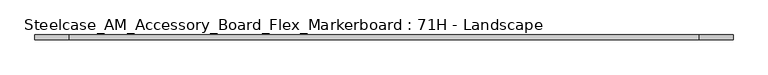
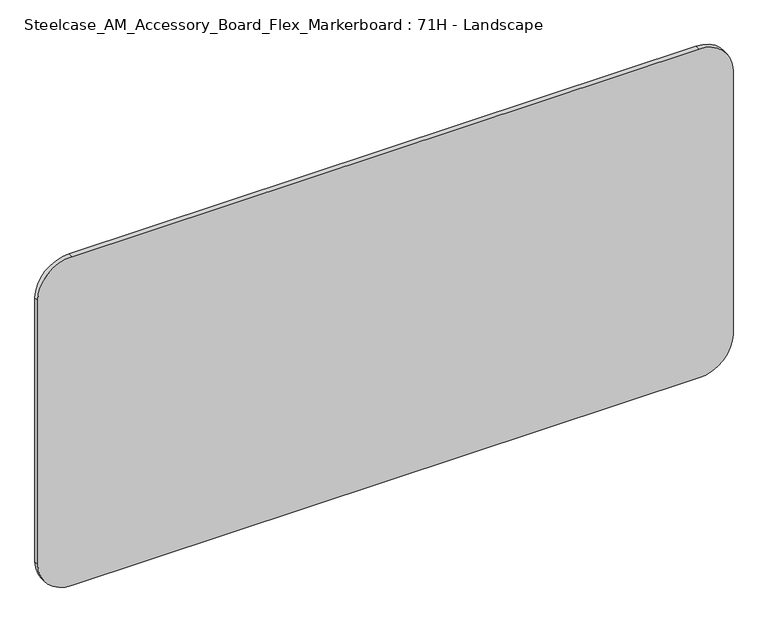
"""IFC4 building model written with IfcOpenShell, lengths in millimetres: furniture geometry, Steelcase_AM_Accessory_Board_Flex_Markerboard : 71H - Landscape."""

from ifc_helpers import new_model, si_unit, point, frame, frame_2d, origin, place, context, project, spatial, polyline, circle_curve, trimmed, segment, composite_curve, outline, extrude, source, transform, mapped, element, save


def steelcase_am_accessory_board_flex_markerboard_71h_landscape_02e64c82(model_context):
    return source(origin(), model_context, "Body", "SweptSolid", [
        extrude(outline(composite_curve([segment(polyline([(901.7, 1714.5), (901.7, 88.9)]), True, "CONTINUOUS"), segment(trimmed(circle_curve(frame_2d((812.8, 88.9)), 88.9), [point((901.7, 88.9))], [point((812.8, 0.0))], False, "CARTESIAN"), True, "CONTINUOUS"), segment(polyline([(812.8, 0.0), (88.9, 0.0)]), True, "CONTINUOUS"), segment(trimmed(circle_curve(frame_2d((88.9, 88.9)), 88.9), [point((88.9, 0.0))], [point((0.0, 88.9))], False, "CARTESIAN"), True, "CONTINUOUS"), segment(polyline([(0.0, 88.9), (0.0, 1714.5)]), True, "CONTINUOUS"), segment(trimmed(circle_curve(frame_2d((88.9, 1714.5)), 88.9), [point((0.0, 1714.5))], [point((88.9, 1803.4))], False, "CARTESIAN"), True, "CONTINUOUS"), segment(polyline([(88.9, 1803.4), (812.8, 1803.4)]), True, "CONTINUOUS"), segment(trimmed(circle_curve(frame_2d((812.8, 1714.5)), 88.9), [point((812.8, 1803.4))], [point((901.7, 1714.5))], False, "CARTESIAN"), True, "CONTINUOUS")], self_intersect=False)), frame((0.0, -12.6950676, 0.0), z_axis=(0.0, 1.0, 0.0), x_axis=(0.0, 0.0, 1.0)), (0.0, 0.0, 1.0), 12.6950676),
    ])


if __name__ == "__main__":
    model = new_model("IFC4")
    model_context = context("Model", 3, world=origin())
    ifc_project = project(units=[si_unit("LENGTHUNIT", "METRE", prefix="MILLI")], contexts=[model_context])
    site = spatial("IfcSite", under=ifc_project)
    building = spatial("IfcBuilding", under=site)
    placement = place(None, origin())
    steelcase_am_accessory_board_flex_markerboard_71h_landscape_shape = steelcase_am_accessory_board_flex_markerboard_71h_landscape_02e64c82(model_context)
    element("IfcFurniture", 1, ObjectType="Steelcase_AM_Accessory_Board_Flex_Markerboard : 71H - Landscape", at=placement, inside=building, context=model_context, shape_type="MappedRepresentation", body=[
        mapped(steelcase_am_accessory_board_flex_markerboard_71h_landscape_shape, transform((0.0, 0.0, 0.0), x_axis=(1.0, 0.0, 0.0), y_axis=(0.0, 1.0, 0.0), z_axis=(0.0, 0.0, 1.0))),
    ])
    save(model, "model.ifc")
